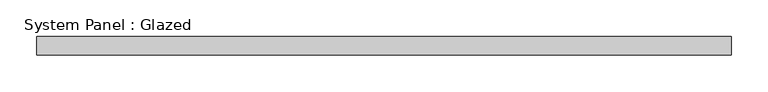
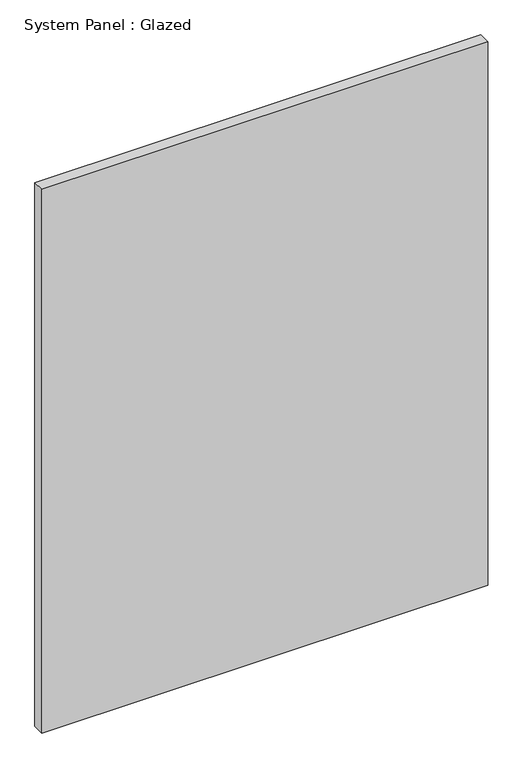
"""IFC4 building model written with IfcOpenShell, lengths in millimetres: plate geometry, System Panel : Glazed."""

from ifc_helpers import new_model, si_unit, origin, origin_with_axes, place, context, project, spatial, polyline, outline, extrude, source, transform, mapped, element, save


def system_panel_glazed_d23099c9(model_context):
    return source(origin(), model_context, "Body", "SweptSolid", [
        extrude(outline(polyline([(473.075, -44.45), (-473.075, -44.45), (-473.075, -19.05), (473.075, -19.05), (473.075, -44.45)])), origin_with_axes(), (0.0, 0.0, 1.0), 1219.2),
    ])


if __name__ == "__main__":
    model = new_model("IFC4")
    model_context = context("Model", 3, world=origin())
    ifc_project = project(units=[si_unit("LENGTHUNIT", "METRE", prefix="MILLI")], contexts=[model_context])
    site = spatial("IfcSite", under=ifc_project)
    building = spatial("IfcBuilding", under=site)
    placement = place(None, origin())
    system_panel_glazed_shape = system_panel_glazed_d23099c9(model_context)
    element("IfcPlate", 1, ObjectType="System Panel : Glazed", at=placement, inside=building, context=model_context, shape_type="MappedRepresentation", body=[
        mapped(system_panel_glazed_shape, transform((0.0, 0.0, 0.0), x_axis=(1.0, 0.0, 0.0), y_axis=(0.0, 1.0, 0.0), z_axis=(0.0, 0.0, 1.0))),
    ])
    save(model, "model.ifc")
